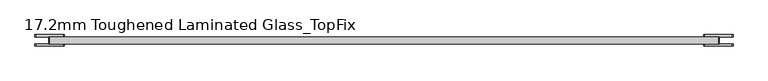
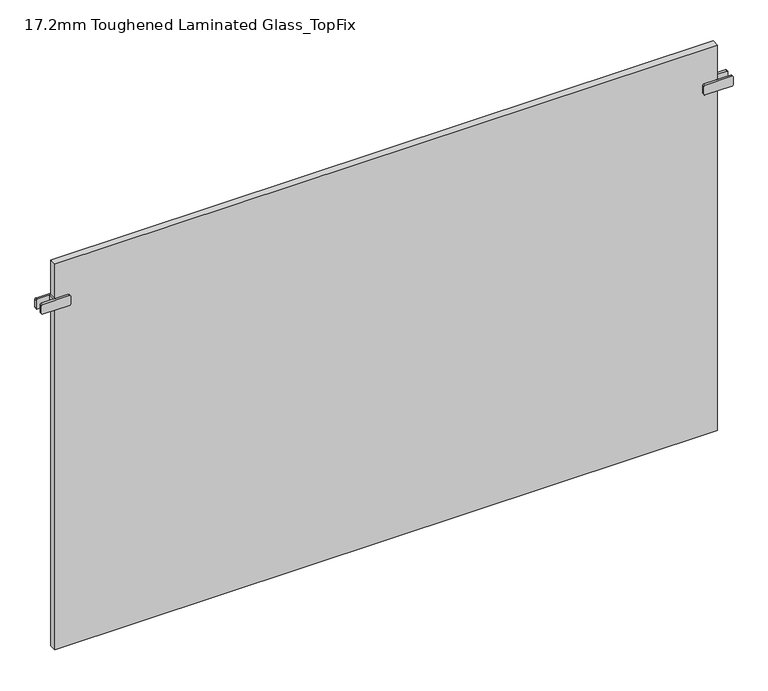
"""IFC4 building model written with IfcOpenShell, lengths in millimetres: plate geometry, 17.2mm Toughened Laminated Glass_TopFix."""

from ifc_helpers import new_model, si_unit, point, frame, frame_2d, origin, origin_with_axes, place, context, project, spatial, polyline, circle_curve, trimmed, segment, composite_curve, outline, extrude, source, transform, mapped, element, save


def plate_17_2mm_toughened_laminated_glass_topfix_b69f2689(model_context):
    return source(origin(), model_context, "Body", "SweptSolid", [
        extrude(outline(polyline([(-797.5000001, -8.6), (-797.5000001, 8.6), (-792.5000001, 8.6), (-792.5000001, -8.6), (-797.5000001, -8.6)])), frame((0.0, 0.0, 866.5), z_axis=(0.0, 0.0, 1.0), x_axis=(1.0, 0.0, 0.0)), (0.0, 0.0, 1.0), 25.0),
        extrude(outline(composite_curve([segment(trimmed(circle_curve(frame_2d((869.5, -763.0000001)), 3.0), [point((866.5, -763.0000001))], [point((869.5, -760.0000001))], False, "CARTESIAN"), True, "CONTINUOUS"), segment(polyline([(869.5, -760.0000001), (888.5, -760.0000001)]), True, "CONTINUOUS"), segment(trimmed(circle_curve(frame_2d((888.5, -763.0000001)), 3.0), [point((888.5, -760.0000001))], [point((891.5, -763.0000001))], False, "CARTESIAN"), True, "CONTINUOUS"), segment(polyline([(891.5, -763.0000001), (891.5, -827.0000001)]), True, "CONTINUOUS"), segment(trimmed(circle_curve(frame_2d((888.5, -827.0000001)), 3.0), [point((891.5, -827.0000001))], [point((888.5, -830.0000001))], False, "CARTESIAN"), True, "CONTINUOUS"), segment(polyline([(888.5, -830.0000001), (869.5, -830.0000001)]), True, "CONTINUOUS"), segment(trimmed(circle_curve(frame_2d((869.5, -827.0000001)), 3.0), [point((869.5, -830.0000001))], [point((866.5, -827.0000001))], False, "CARTESIAN"), True, "CONTINUOUS"), segment(polyline([(866.5, -827.0000001), (866.5, -763.0000001)]), True, "CONTINUOUS")], self_intersect=False)), frame((0.0, 8.6, 0.0), z_axis=(0.0, 1.0, 0.0), x_axis=(0.0, 0.0, 1.0)), (0.0, 0.0, 1.0), 5.0),
        extrude(outline(composite_curve([segment(trimmed(circle_curve(frame_2d((869.5, -763.0000001)), 3.0), [point((866.5, -763.0000001))], [point((869.5, -760.0000001))], False, "CARTESIAN"), True, "CONTINUOUS"), segment(polyline([(869.5, -760.0000001), (888.5, -760.0000001)]), True, "CONTINUOUS"), segment(trimmed(circle_curve(frame_2d((888.5, -763.0000001)), 3.0), [point((888.5, -760.0000001))], [point((891.5, -763.0000001))], False, "CARTESIAN"), True, "CONTINUOUS"), segment(polyline([(891.5, -763.0000001), (891.5, -827.0000001)]), True, "CONTINUOUS"), segment(trimmed(circle_curve(frame_2d((888.5, -827.0000001)), 3.0), [point((891.5, -827.0000001))], [point((888.5, -830.0000001))], False, "CARTESIAN"), True, "CONTINUOUS"), segment(polyline([(888.5, -830.0000001), (869.5, -830.0000001)]), True, "CONTINUOUS"), segment(trimmed(circle_curve(frame_2d((869.5, -827.0000001)), 3.0), [point((869.5, -830.0000001))], [point((866.5, -827.0000001))], False, "CARTESIAN"), True, "CONTINUOUS"), segment(polyline([(866.5, -827.0000001), (866.5, -763.0000001)]), True, "CONTINUOUS")], self_intersect=False)), frame((0.0, -13.6, 0.0), z_axis=(0.0, 1.0, 0.0), x_axis=(0.0, 0.0, 1.0)), (0.0, 0.0, 1.0), 5.0),
        extrude(outline(polyline([(797.5000001, -8.6), (792.5000001, -8.6), (792.5000001, 8.6), (797.5000001, 8.6), (797.5000001, -8.6)])), frame((0.0, 0.0, 866.5), z_axis=(0.0, 0.0, 1.0), x_axis=(1.0, 0.0, 0.0)), (0.0, 0.0, 1.0), 25.0),
        extrude(outline(composite_curve([segment(polyline([(866.5, 763.0000001), (866.5, 827.0000001)]), True, "CONTINUOUS"), segment(trimmed(circle_curve(frame_2d((869.5, 827.0000001)), 3.0), [point((866.5, 827.0000001))], [point((869.5, 830.0000001))], False, "CARTESIAN"), True, "CONTINUOUS"), segment(polyline([(869.5, 830.0000001), (888.5, 830.0000001)]), True, "CONTINUOUS"), segment(trimmed(circle_curve(frame_2d((888.5, 827.0000001)), 3.0), [point((888.5, 830.0000001))], [point((891.5, 827.0000001))], False, "CARTESIAN"), True, "CONTINUOUS"), segment(polyline([(891.5, 827.0000001), (891.5, 763.0000001)]), True, "CONTINUOUS"), segment(trimmed(circle_curve(frame_2d((888.5, 763.0000001)), 3.0), [point((891.5, 763.0000001))], [point((888.5, 760.0000001))], False, "CARTESIAN"), True, "CONTINUOUS"), segment(polyline([(888.5, 760.0000001), (869.5, 760.0000001)]), True, "CONTINUOUS"), segment(trimmed(circle_curve(frame_2d((869.5, 763.0000001)), 3.0), [point((869.5, 760.0000001))], [point((866.5, 763.0000001))], False, "CARTESIAN"), True, "CONTINUOUS")], self_intersect=False)), frame((0.0, 8.6, 0.0), z_axis=(0.0, 1.0, 0.0), x_axis=(0.0, 0.0, 1.0)), (0.0, 0.0, 1.0), 5.0),
        extrude(outline(composite_curve([segment(polyline([(866.5, 763.0000001), (866.5, 827.0000001)]), True, "CONTINUOUS"), segment(trimmed(circle_curve(frame_2d((869.5, 827.0000001)), 3.0), [point((866.5, 827.0000001))], [point((869.5, 830.0000001))], False, "CARTESIAN"), True, "CONTINUOUS"), segment(polyline([(869.5, 830.0000001), (888.5, 830.0000001)]), True, "CONTINUOUS"), segment(trimmed(circle_curve(frame_2d((888.5, 827.0000001)), 3.0), [point((888.5, 830.0000001))], [point((891.5, 827.0000001))], False, "CARTESIAN"), True, "CONTINUOUS"), segment(polyline([(891.5, 827.0000001), (891.5, 763.0000001)]), True, "CONTINUOUS"), segment(trimmed(circle_curve(frame_2d((888.5, 763.0000001)), 3.0), [point((891.5, 763.0000001))], [point((888.5, 760.0000001))], False, "CARTESIAN"), True, "CONTINUOUS"), segment(polyline([(888.5, 760.0000001), (869.5, 760.0000001)]), True, "CONTINUOUS"), segment(trimmed(circle_curve(frame_2d((869.5, 763.0000001)), 3.0), [point((869.5, 760.0000001))], [point((866.5, 763.0000001))], False, "CARTESIAN"), True, "CONTINUOUS")], self_intersect=False)), frame((0.0, -13.6, 0.0), z_axis=(0.0, 1.0, 0.0), x_axis=(0.0, 0.0, 1.0)), (0.0, 0.0, 1.0), 5.0),
        extrude(outline(polyline([(795.0000001, 8.6), (795.0000001, -8.6), (-795.0000001, -8.6), (-795.0000001, 8.6), (795.0000001, 8.6)])), origin_with_axes(), (0.0, 0.0, 1.0), 979.0),
    ])


if __name__ == "__main__":
    model = new_model("IFC4")
    model_context = context("Model", 3, world=origin())
    ifc_project = project(units=[si_unit("LENGTHUNIT", "METRE", prefix="MILLI")], contexts=[model_context])
    site = spatial("IfcSite", under=ifc_project)
    building = spatial("IfcBuilding", under=site)
    placement = place(None, origin())
    plate_17_2mm_toughened_laminated_glass_topfix_shape = plate_17_2mm_toughened_laminated_glass_topfix_b69f2689(model_context)
    element("IfcPlate", 1, ObjectType="17.2mm Toughened Laminated Glass_TopFix", at=placement, inside=building, context=model_context, shape_type="MappedRepresentation", body=[
        mapped(plate_17_2mm_toughened_laminated_glass_topfix_shape, transform((0.0, 0.0, 0.0), x_axis=(1.0, 0.0, 0.0), y_axis=(0.0, 1.0, 0.0), z_axis=(0.0, 0.0, 1.0))),
    ])
    save(model, "model.ifc")
